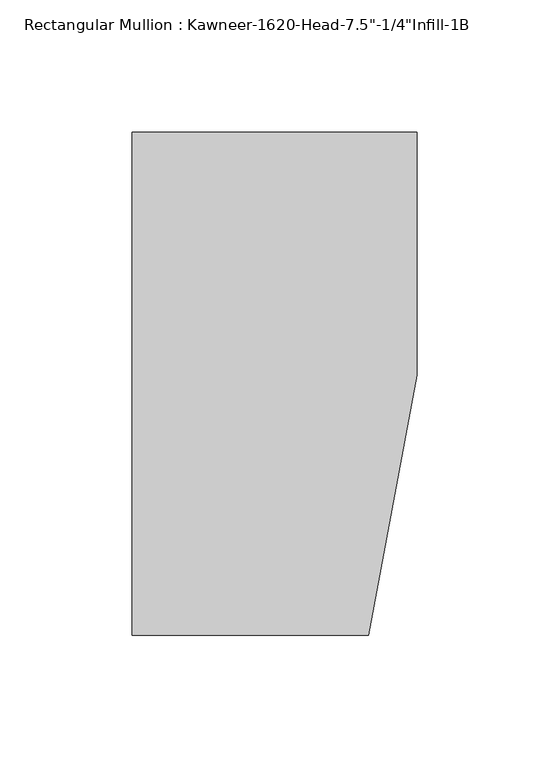
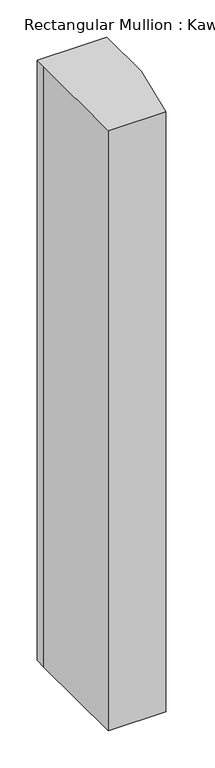
"""IFC4 building model written with IfcOpenShell, lengths in millimetres: member geometry."""

from ifc_helpers import new_model, si_unit, frame, origin, place, context, project, spatial, polyline, outline, extrude, source, transform, mapped, element, save


def member_0c3d3ad3(model_context):
    return source(origin(), model_context, "Body", "SweptSolid", [
        extrude(outline(polyline([(-107.95, 10.3845466), (-107.95, 28.575), (-44.1519366, 28.575), (0.0, 28.575), (0.0, -63.5), (-18.3538271, -161.925), (-107.95, -161.925), (-107.95, 10.3845466)])), frame((0.0, 0.0, -984.25), z_axis=(0.0, 0.0, 1.0), x_axis=(1.0, 0.0, 0.0)), (0.0, 0.0, 1.0), 984.25),
    ])


if __name__ == "__main__":
    model = new_model("IFC4")
    model_context = context("Model", 3, world=origin())
    ifc_project = project(units=[si_unit("LENGTHUNIT", "METRE", prefix="MILLI")], contexts=[model_context])
    site = spatial("IfcSite", under=ifc_project)
    building = spatial("IfcBuilding", under=site)
    placement = place(None, origin())
    member_shape = member_0c3d3ad3(model_context)
    element("IfcMember", 1, ObjectType="Rectangular Mullion : Kawneer-1620-Head-7.5\"-1/4\"Infill-1B", at=placement, inside=building, context=model_context, shape_type="MappedRepresentation", body=[
        mapped(member_shape, transform((0.0, 0.0, 0.0), x_axis=(1.0, 0.0, 0.0), y_axis=(0.0, 1.0, 0.0), z_axis=(0.0, 0.0, 1.0))),
    ])
    save(model, "model.ifc")
